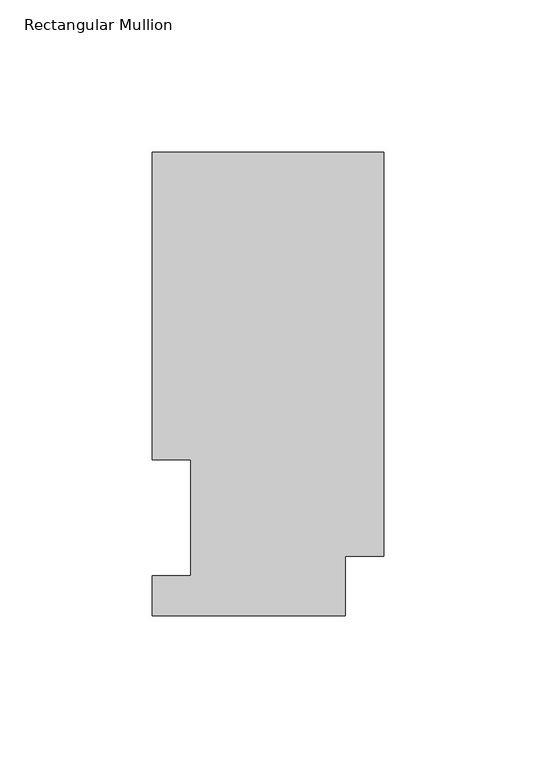
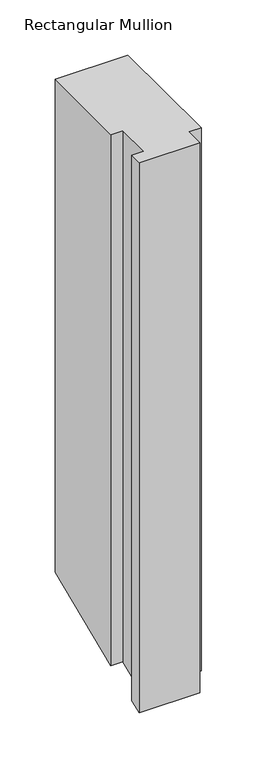
"""IFC4 building model written with IfcOpenShell, lengths in millimetres: member geometry, Rectangular Mullion."""

from ifc_helpers import new_model, si_unit, origin, place, context, project, spatial, faceted_brep, source, transform, mapped, element, save


def rectangular_mullion_5ff67758(model_context):
    return source(origin(), model_context, "Body", "Brep", [
        faceted_brep([(-76.2, 13.1960938, 0.0), (-76.2, 0.0134938, 0.0), (-12.7, 0.0134938, 0.0), (-12.7, 19.5460937, 0.0), (0.0, 19.5460937, 0.0), (0.0, 152.4896938, 0.0), (-76.2, 152.4896938, 0.0), (-76.2, 51.2960938, 0.0), (-63.5127, 51.2960938, 0.0), (-63.5127, 13.1960938, 0.0), (-76.2, 13.1960938, -604.121332), (-76.2, 0.0134938, -609.5817437), (-12.7, 0.0134938, -609.5817437), (-12.7, 19.5460937, -601.4910759), (0.0, 19.5460937, -601.4910759), (0.0, 152.4896938, -546.4240338), (-76.2, 152.4896938, -546.4240338), (-76.2, 51.2960938, -588.3397953), (-63.5127, 51.2960938, -588.3397953), (-63.5127, 13.1960938, -604.121332)], [[[0, 1, 2, 3, 4, 5, 6, 7, 8, 9]], [[1, 0, 10, 11]], [[2, 1, 11, 12]], [[3, 2, 12, 13]], [[4, 3, 13, 14]], [[5, 4, 14, 15]], [[6, 5, 15, 16]], [[7, 6, 16, 17]], [[8, 7, 17, 18]], [[9, 8, 18, 19]], [[0, 9, 19, 10]], [[10, 19, 18, 17, 16, 15, 14, 13, 12, 11]]]),
    ])


if __name__ == "__main__":
    model = new_model("IFC4")
    model_context = context("Model", 3, world=origin())
    ifc_project = project(units=[si_unit("LENGTHUNIT", "METRE", prefix="MILLI")], contexts=[model_context])
    site = spatial("IfcSite", under=ifc_project)
    building = spatial("IfcBuilding", under=site)
    placement = place(None, origin())
    rectangular_mullion_shape = rectangular_mullion_5ff67758(model_context)
    element("IfcMember", 1, ObjectType="Rectangular Mullion", at=placement, inside=building, context=model_context, shape_type="MappedRepresentation", body=[
        mapped(rectangular_mullion_shape, transform((0.0, 0.0, 0.0), x_axis=(1.0, 0.0, 0.0), y_axis=(0.0, 1.0, 0.0), z_axis=(0.0, 0.0, 1.0))),
    ])
    save(model, "model.ifc")
